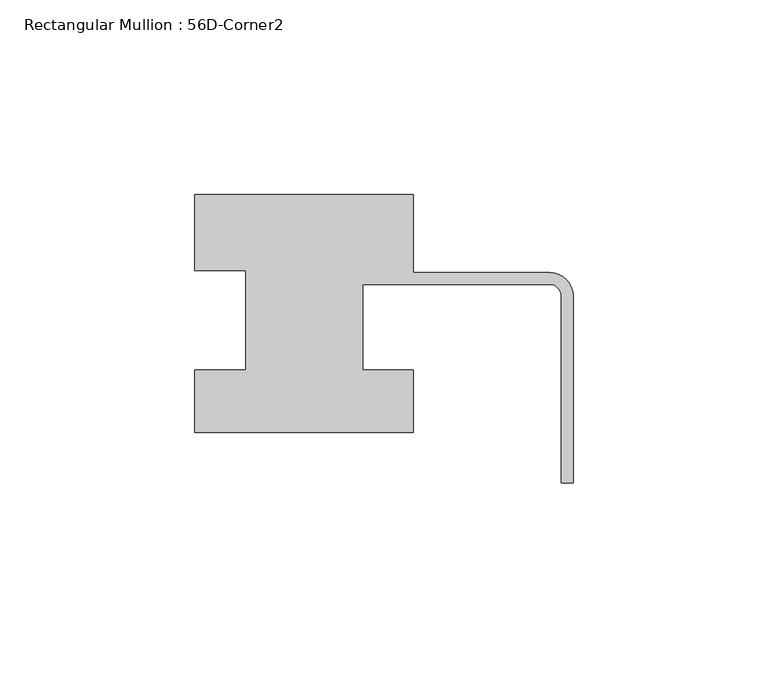
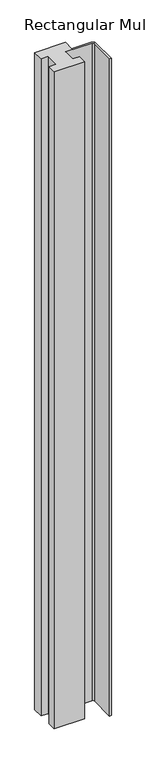
"""IFC4 building model written with IfcOpenShell, lengths in millimetres: member geometry, Rectangular Mullion : 56D-Corner2."""

from ifc_helpers import new_model, si_unit, point, frame, frame_2d, origin, place, context, project, spatial, polyline, circle_curve, trimmed, segment, composite_curve, outline, extrude, source, transform, mapped, element, save


def rectangular_mullion_56d_corner2_c8023593(model_context):
    return source(origin(), model_context, "Body", "SweptSolid", [
        extrude(outline(composite_curve([segment(polyline([(-97.0, 20.0), (-41.0, 20.0), (-41.0, 0.0), (-6.0, 0.0)]), True, "CONTINUOUS"), segment(trimmed(circle_curve(frame_2d((-6.0, -6.0)), 6.0), [point((-6.0, 0.0))], [point((0.0, -6.0))], False, "CARTESIAN"), True, "CONTINUOUS"), segment(polyline([(0.0, -6.0), (0.0, -54.0), (-3.0, -54.0), (-3.0, -6.0)]), True, "CONTINUOUS"), segment(trimmed(circle_curve(frame_2d((-6.0, -6.0)), 3.0), [point((-3.0, -6.0))], [point((-6.0, -3.0))], True, "CARTESIAN"), True, "CONTINUOUS"), segment(polyline([(-6.0, -3.0), (-54.0, -3.0), (-54.0, -25.0), (-41.0, -25.0), (-41.0, -41.0), (-97.0, -41.0), (-97.0, -25.0), (-84.0, -25.0), (-84.0, 0.5), (-97.0, 0.5), (-97.0, 20.0)]), True, "CONTINUOUS")], self_intersect=False)), frame((0.0, 0.0, -1266.465707), z_axis=(0.0, 0.0, 1.0), x_axis=(1.0, 0.0, 0.0)), (0.0, 0.0, 1.0), 1266.465707),
    ])


if __name__ == "__main__":
    model = new_model("IFC4")
    model_context = context("Model", 3, world=origin())
    ifc_project = project(units=[si_unit("LENGTHUNIT", "METRE", prefix="MILLI")], contexts=[model_context])
    site = spatial("IfcSite", under=ifc_project)
    building = spatial("IfcBuilding", under=site)
    placement = place(None, origin())
    rectangular_mullion_56d_corner2_shape = rectangular_mullion_56d_corner2_c8023593(model_context)
    element("IfcMember", 1, ObjectType="Rectangular Mullion : 56D-Corner2", at=placement, inside=building, context=model_context, shape_type="MappedRepresentation", body=[
        mapped(rectangular_mullion_56d_corner2_shape, transform((0.0, 0.0, 0.0), x_axis=(1.0, 0.0, 0.0), y_axis=(0.0, 1.0, 0.0), z_axis=(0.0, 0.0, 1.0))),
    ])
    save(model, "model.ifc")
